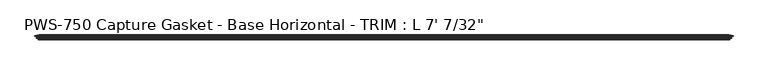
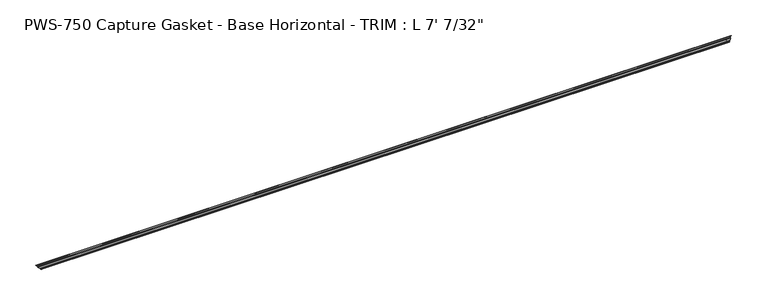
"""IFC4 building model written with IfcOpenShell, lengths in millimetres: proxy geometry."""

from ifc_helpers import new_model, si_unit, origin, place, context, project, spatial, faceted_brep, source, transform, mapped, element, save


def proxy_ae3be924(model_context):
    return source(origin(), model_context, "Body", "Brep", [
        faceted_brep([(2128.6382396, -11.3058688, 3.7741579), (2129.1868485, -10.5185521, 4.3227669), (9.9694015, -10.5185521, 4.3227669), (10.5180104, -11.3058688, 3.7741579), (2132.3020972, -10.1484847, 7.4380156), (6.8541528, -10.1484847, 7.4380156), (2131.0027817, -11.2380874, 6.1387001), (8.1534683, -11.2380874, 6.1387001), (2134.9474913, -9.8326365, 10.0834097), (4.2087587, -9.8326365, 10.0834097), (2135.5368485, -9.077363, 10.6727669), (3.6194015, -9.077363, 10.6727669), (2134.9106899, -8.3570499, 10.0466082), (4.2455601, -8.3570499, 10.0466082), (2131.0027817, -6.964711, 6.1387001), (8.1534683, -6.964711, 6.1387001), (2132.3020972, -8.0543136, 7.4380156), (6.8541528, -8.0543136, 7.4380156), (2129.1868485, -7.6842462, 4.3227669), (9.9694015, -7.6842462, 4.3227669), (2129.1868485, -4.8395867, 4.3227669), (9.9694015, -4.8395867, 4.3227669), (2134.7737453, -4.8395867, 9.9096637), (4.3825047, -4.8395867, 9.9096637), (0.0, -3.7618735, 14.2921683), (2139.15625, -3.7618735, 14.2921683), (2138.9096938, -2.7592562, 14.0456121), (0.2465562, -2.7592562, 14.0456121), (2133.8076357, -0.3893608, 8.9435541), (5.3486143, -0.3893608, 8.9435541), (2135.8636772, -2.4454023, 10.9995955), (3.2925728, -2.4454023, 10.9995955), (2133.6969021, -2.4454023, 8.8328204), (5.4593479, -2.4454023, 8.8328204), (2130.7269368, -0.3893608, 5.8628551), (8.4293132, -0.3893608, 5.8628551), (2132.5699723, -2.6340331, 7.7058906), (6.5862777, -2.6340331, 7.7058906), (2129.4649889, -2.3338527, 4.6009073), (9.6912611, -2.3338527, 4.6009073), (2125.2292319, 0.0, 0.3651502), (13.9270181, 0.0, 0.3651502), (2124.8640817, -0.7787217, 0.0), (14.2921683, -0.7787217, 0.0), (2127.4161592, -3.3307993, 2.5520776), (11.7400908, -3.3307993, 2.5520776), (2127.7617386, -13.0602862, 2.897657), (11.3945114, -13.0602862, 2.897657), (2129.1199373, -14.4184849, 4.2558556), (10.0363127, -14.4184849, 4.2558556), (2129.1199373, -13.3109165, 4.2558556), (10.0363127, -13.3109165, 4.2558556)], [[[0, 1, 2, 3]], [[1, 4, 5, 2]], [[4, 6, 7, 5]], [[6, 8, 9, 7]], [[8, 10, 11, 9]], [[10, 12, 13, 11]], [[12, 14, 15, 13]], [[14, 16, 17, 15]], [[16, 18, 19, 17]], [[18, 20, 21, 19]], [[20, 22, 23, 21]], [[24, 23, 22, 25]], [[25, 26, 27, 24]], [[26, 28, 29, 27]], [[28, 30, 31, 29]], [[30, 32, 33, 31]], [[32, 34, 35, 33]], [[34, 36, 37, 35]], [[36, 38, 39, 37]], [[38, 40, 41, 39]], [[40, 42, 43, 41]], [[42, 44, 45, 43]], [[44, 46, 47, 45]], [[46, 48, 49, 47]], [[48, 50, 51, 49]], [[3, 51, 50, 0]], [[0, 50, 48, 46, 44, 42, 40, 38, 36, 34, 32, 30, 28, 26, 25, 22, 20, 18, 16, 14, 12, 10, 8, 6, 4, 1]], [[2, 5, 7, 9, 11, 13, 15, 17, 19, 21, 23, 24, 27, 29, 31, 33, 35, 37, 39, 41, 43, 45, 47, 49, 51, 3]]]),
    ])


if __name__ == "__main__":
    model = new_model("IFC4")
    model_context = context("Model", 3, world=origin())
    ifc_project = project(units=[si_unit("LENGTHUNIT", "METRE", prefix="MILLI")], contexts=[model_context])
    site = spatial("IfcSite", under=ifc_project)
    building = spatial("IfcBuilding", under=site)
    placement = place(None, origin())
    proxy_shape = proxy_ae3be924(model_context)
    element("IfcBuildingElementProxy", 1, Name="PWS-750 Capture Gasket - Base Horizontal - TRIM : L 7' 7/32\"", ObjectType="PWS-750 Capture Gasket - Base Horizontal - TRIM : L 7' 7/32\"", at=placement, inside=building, context=model_context, shape_type="MappedRepresentation", body=[
        mapped(proxy_shape, transform((0.0, 0.0, 0.0), x_axis=(1.0, 0.0, 0.0), y_axis=(0.0, 1.0, 0.0), z_axis=(0.0, 0.0, 1.0))),
    ])
    save(model, "model.ifc")
